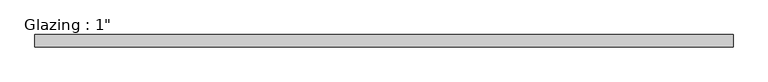
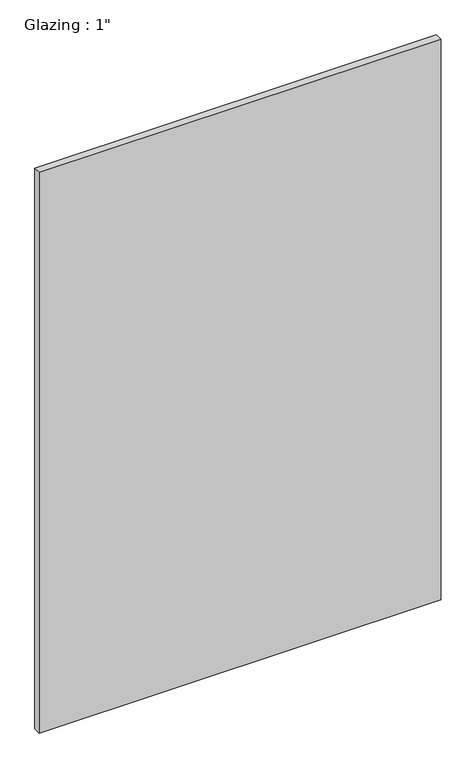
"""IFC4 building model written with IfcOpenShell, lengths in millimetres: plate geometry."""

from ifc_helpers import new_model, si_unit, origin, origin_with_axes, place, context, project, spatial, polyline, outline, extrude, source, transform, mapped, element, save


def plate_6e3348b7(model_context):
    return source(origin(), model_context, "Body", "SweptSolid", [
        extrude(outline(polyline([(712.2527053, 12.7), (712.2527053, -12.7), (-712.2527053, -12.7), (-712.2527053, 12.7), (712.2527053, 12.7)])), origin_with_axes(), (0.0, 0.0, 1.0), 2100.892839),
    ])


if __name__ == "__main__":
    model = new_model("IFC4")
    model_context = context("Model", 3, world=origin())
    ifc_project = project(units=[si_unit("LENGTHUNIT", "METRE", prefix="MILLI")], contexts=[model_context])
    site = spatial("IfcSite", under=ifc_project)
    building = spatial("IfcBuilding", under=site)
    placement = place(None, origin())
    plate_shape = plate_6e3348b7(model_context)
    element("IfcPlate", 1, ObjectType="Glazing : 1\"", at=placement, inside=building, context=model_context, shape_type="MappedRepresentation", body=[
        mapped(plate_shape, transform((0.0, 0.0, 0.0), x_axis=(1.0, 0.0, 0.0), y_axis=(0.0, 1.0, 0.0), z_axis=(0.0, 0.0, 1.0))),
    ])
    save(model, "model.ifc")
